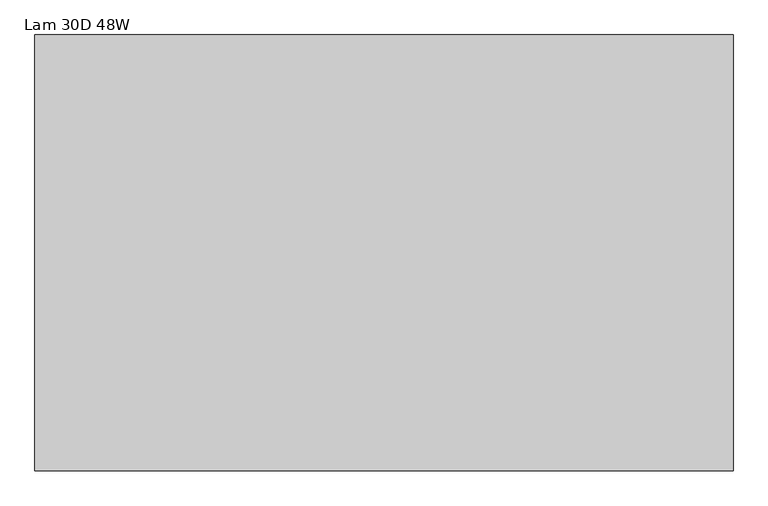
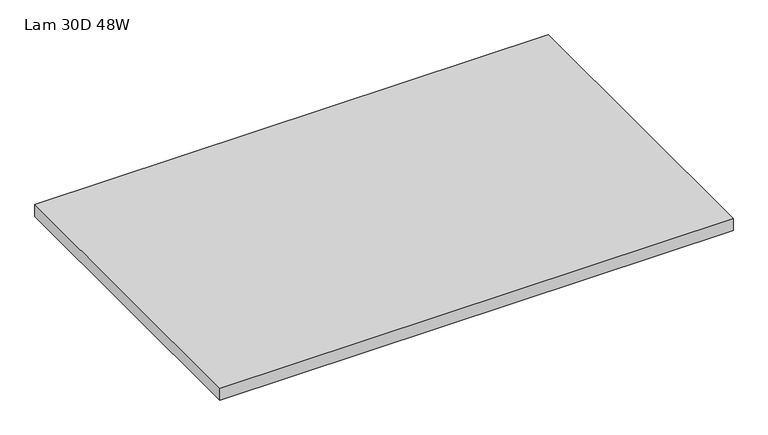
"""IFC4 building model written with IfcOpenShell, lengths in millimetres: furniture geometry, Lam 30D 48W."""

from ifc_helpers import new_model, si_unit, frame, origin, place, context, project, spatial, polyline, outline, extrude, source, transform, mapped, element, save


def lam_30d_48w_fb1915ca(model_context):
    return source(origin(), model_context, "Body", "SweptSolid", [
        extrude(outline(polyline([(1219.1999999, -3.0467299), (1219.1999999, -762.0), (3.1750001, -762.0), (3.1750001, -3.0467299), (1219.1999999, -3.0467299)])), frame((0.0, 0.0, 854.47378), z_axis=(0.0, 0.0, 1.0), x_axis=(1.0, 0.0, 0.0)), (0.0, 0.0, 1.0), 29.972),
    ])


if __name__ == "__main__":
    model = new_model("IFC4")
    model_context = context("Model", 3, world=origin())
    ifc_project = project(units=[si_unit("LENGTHUNIT", "METRE", prefix="MILLI")], contexts=[model_context])
    site = spatial("IfcSite", under=ifc_project)
    building = spatial("IfcBuilding", under=site)
    placement = place(None, origin())
    lam_30d_48w_shape = lam_30d_48w_fb1915ca(model_context)
    element("IfcFurniture", 1, ObjectType="Lam 30D 48W", at=placement, inside=building, context=model_context, shape_type="MappedRepresentation", body=[
        mapped(lam_30d_48w_shape, transform((0.0, 0.0, 0.0), x_axis=(1.0, 0.0, 0.0), y_axis=(0.0, 1.0, 0.0), z_axis=(0.0, 0.0, 1.0))),
    ])
    save(model, "model.ifc")
